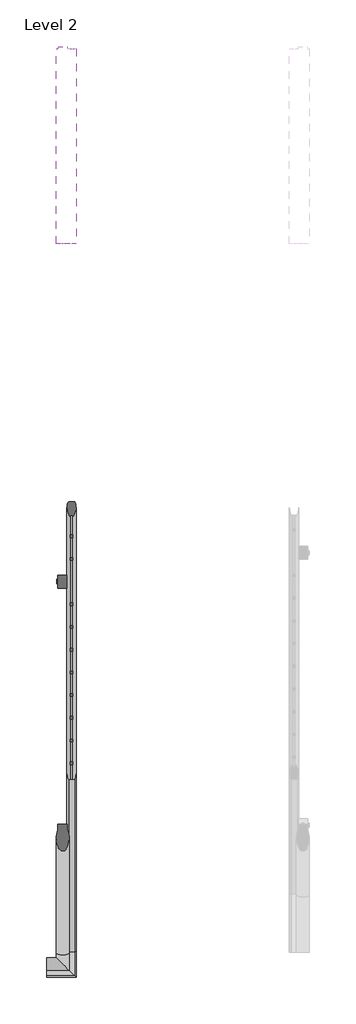
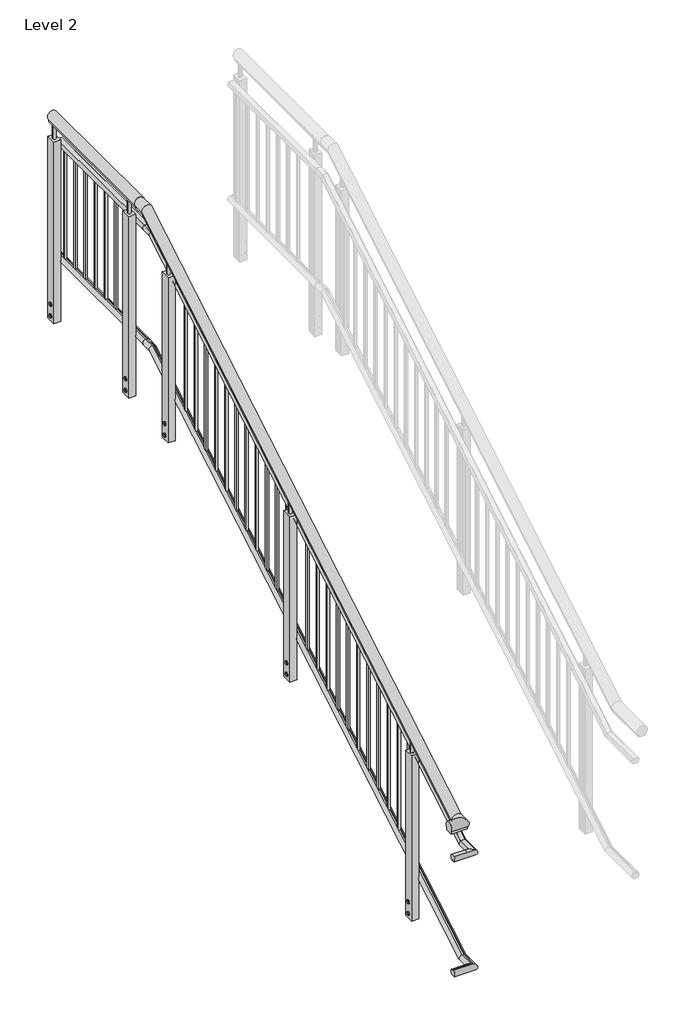
# One storey, part 3 of 7: 2 railings.
"""IFC4 building model written with IfcOpenShell, lengths in millimetres."""

from ifc_helpers import new_model, si_unit, point, frame, frame_2d, origin, place, context, project, spatial, polyline, circle_curve, ellipse_curve, trimmed, segment, composite_curve, outline, extrude, element, save
from ifc_brep_helpers import plane_surface, cylinder_surface, advanced_brep

model = new_model("IFC4")

# Units and contexts
model_context = context("Model", 3, world=origin())
ifc_project = project(units=[si_unit("LENGTHUNIT", "METRE", prefix="MILLI")], contexts=[model_context])

# Site, building, storey
site = spatial("IfcSite", under=ifc_project)
building = spatial("IfcBuilding", under=site)
storey = spatial("IfcBuildingStorey", under=building, Name="Level 2", Elevation=4000.0)

# Railings
placement = place(None, origin())
element("IfcRailing", 1, ObjectType="MT_Common stair with Balustrade_Level 3_Left", at=placement, inside=storey, context=model_context, shape_type="SolidModel", body=[
    advanced_brep(
    [(-8631.0412923, -10097.2332568, 6690.8057322), (-8631.0412923, -10097.2332568, 6678.0), (-8672.7412923, -10097.2332568, 6678.0), (-8672.7412923, -10097.2332568, 6690.8057322), (-8672.7412923, -10162.192754, 6690.8057322), (-8631.0412923, -10162.192754, 6690.8057322), (-8672.7412923, -10158.6852788, 6678.0), (-8631.0412923, -10158.6852788, 6678.0), (-8672.7412923, -13216.0720552, 4882.2162889), (-8631.0412923, -13216.0720552, 4882.2162889), (-8672.7412923, -13212.56458, 4869.4105567), (-8631.0412923, -13212.56458, 4869.4105567), (-8722.7515248, -13290.6934894, 4882.2162889), (-8722.7515248, -13248.9934894, 4882.2162889), (-8722.7515248, -13248.9934894, 4869.4105567), (-8722.7515248, -13290.6934894, 4869.4105567), (-8631.0412923, -13290.6934894, 4882.2162889), (-8672.7412923, -13248.9934894, 4882.2162889), (-8672.7412923, -13248.9934894, 4869.4105567), (-8631.0412923, -13290.6934894, 4869.4105567)],
    [
        (0, 1),
        (1, 2),
        (2, 3),
        (3, 0, circle_curve(frame((-8651.8912923, -10097.2332568, 6710.0), z_axis=(0.0, 1.0, 0.0), x_axis=(-1.0, 0.0, 0.0)), 28.3397674)),
        (4, 5, ellipse_curve(frame((-8651.8912923, -10167.4500418, 6710.0), z_axis=(0.0, 0.9644764138034779, 0.2641689747430274), x_axis=(0.0, -0.26416897474302786, 0.9644764138034778)), 29.3835775, 28.3397674)),
        (5, 0),
        (3, 4),
        (6, 4),
        (2, 6),
        (7, 6),
        (1, 7),
        (5, 7),
        (8, 9, ellipse_curve(frame((-8651.8912923, -13221.329343, 4901.4105567), z_axis=(0.0, 0.9644764138034779, 0.26416897474302736), x_axis=(0.0, 0.264168974743027, -0.9644764138034783)), 29.3835775, 28.3397674)),
        (9, 5),
        (4, 8),
        (10, 8),
        (6, 10),
        (11, 10),
        (7, 11),
        (9, 11),
        (12, 13, circle_curve(frame((-8722.7515248, -13269.8434894, 4901.4105567), z_axis=(-1.0, 0.0, 0.0), x_axis=(0.0, 1.0, 0.0)), 28.3397674)),
        (13, 14),
        (14, 15),
        (15, 12),
        (12, 16),
        (16, 17, ellipse_curve(frame((-8651.8912923, -13269.8434894, 4901.4105567), z_axis=(-0.7071067811865481, -0.7071067811865469, 0.0), x_axis=(-0.7071067811865469, 0.7071067811865481, 0.0)), 40.0784834, 28.3397674)),
        (17, 13),
        (17, 18),
        (18, 14),
        (18, 19),
        (19, 15),
        (19, 16),
        (16, 9),
        (8, 17),
        (10, 18),
        (11, 19),
    ],
    [
        plane_surface(frame((-8651.8912923, -10097.2332568, 6678.0), z_axis=(0.0, 1.0, 0.0), x_axis=(0.0, 0.0, 1.0))),
        cylinder_surface(frame((-8651.8912923, -10158.6852788, 6710.0), z_axis=(0.0, -1.0, 0.0), x_axis=(-1.0, 0.0, 0.0)), 28.3397674),
        plane_surface(frame((-8672.7412923, -10162.192754, 6690.8057322), z_axis=(-1.0, 0.0, 0.0), x_axis=(0.0, 1.0, 0.0))),
        plane_surface(frame((-8672.7412923, -10158.6852788, 6678.0), z_axis=(0.0, 0.0, -1.0), x_axis=(0.0, 1.0, 0.0))),
        plane_surface(frame((-8631.0412923, -10158.6852788, 6678.0), z_axis=(1.0, 0.0, 0.0), x_axis=(0.0, 1.0, 0.0))),
        cylinder_surface(frame((-8651.8912923, -13228.8708037, 4896.9443009), z_axis=(0.0, -0.8604295055664356, -0.5095694907965933), x_axis=(-1.0, 0.0, 0.0)), 28.3397674),
        plane_surface(frame((-8672.7412923, -13216.0720552, 4882.2162889), z_axis=(-1.0000000000000002, 0.0, 0.0), x_axis=(0.0, 0.8604295055664356, 0.5095694907965933))),
        plane_surface(frame((-8672.7412923, -13212.56458, 4869.4105567), z_axis=(0.0, 0.5095694907965932, -0.8604295055664356), x_axis=(0.0, 0.8604295055664356, 0.5095694907965932))),
        plane_surface(frame((-8631.0412923, -13212.56458, 4869.4105567), z_axis=(1.0, 0.0, 0.0), x_axis=(0.0, 0.8604295055664356, 0.5095694907965932))),
        plane_surface(frame((-8722.7515248, -13269.8434894, 4869.4105567), z_axis=(-1.0, 0.0, 0.0), x_axis=(0.0, 1.0, 0.0))),
        cylinder_surface(frame((-8722.7515248, -13269.8434894, 4901.4105567), z_axis=(-1.0, 0.0, 0.0), x_axis=(0.0, 1.0, 0.0)), 28.3397674),
        plane_surface(frame((-8722.7515248, -13248.9934894, 4882.2162889), z_axis=(0.0, 1.0, 0.0), x_axis=(1.0, 0.0, 0.0))),
        plane_surface(frame((-8722.7515248, -13248.9934894, 4869.4105567), z_axis=(0.0, 0.0, -1.0), x_axis=(1.0, 0.0, 0.0))),
        plane_surface(frame((-8722.7515248, -13290.6934894, 4869.4105567), z_axis=(0.0, -1.0, 0.0), x_axis=(1.0, 0.0, 0.0))),
        cylinder_surface(frame((-8651.8912923, -13269.8434894, 4901.4105567), z_axis=(0.0, -1.0, 0.0), x_axis=(-1.0, 0.0, 0.0)), 28.3397674),
        plane_surface(frame((-8672.7412923, -13248.9934894, 4882.2162889), z_axis=(-1.0, 0.0, 0.0), x_axis=(0.0, 1.0, 0.0))),
        plane_surface(frame((-8672.7412923, -13248.9934894, 4869.4105567), z_axis=(0.0, 0.0, -1.0), x_axis=(0.0, 1.0, 0.0))),
        plane_surface(frame((-8631.0412923, -13290.6934894, 4869.4105567), z_axis=(1.0, 0.0, 0.0), x_axis=(0.0, 1.0, 0.0))),
    ],
    [
        (0, [[1, 2, 3, 4]]),
        (1, [[5, 6, -4, 7]]),
        (2, [[8, -7, -3, 9]]),
        (3, [[10, -9, -2, 11]]),
        (4, [[12, -11, -1, -6]]),
        (5, [[13, 14, -5, 15]]),
        (6, [[16, -15, -8, 17]]),
        (7, [[18, -17, -10, 19]]),
        (8, [[20, -19, -12, -14]]),
        (9, [[21, 22, 23, 24]]),
        (10, [[-21, 25, 26, 27]]),
        (11, [[-22, -27, 28, 29]]),
        (12, [[-23, -29, 30, 31]]),
        (13, [[-24, -31, 32, -25]]),
        (14, [[-26, 33, -13, 34]]),
        (15, [[-28, -34, -16, 35]]),
        (16, [[-30, -35, -18, 36]]),
        (17, [[-32, -36, -20, -33]]),
    ],
),
    advanced_brep(
    [(-8599.5227683, -13216.6730626, 4751.4105567), (-8606.6751475, -13207.3455481, 4717.3559605), (-8606.6751475, -10153.4662469, 6525.9454038), (-8599.5227683, -10162.7937614, 6560.0), (-8625.9802814, -13216.6730626, 4751.4105567), (-8625.9802814, -10162.7937614, 6560.0), (-8618.257742, -13207.2982981, 4717.1834516), (-8618.257742, -10153.4189969, 6525.7728949), (-8618.257742, -13208.4560973, 4721.4105567), (-8618.257742, -10154.5767961, 6530.0), (-8606.6751475, -13208.4560973, 4721.4105567), (-8606.6751475, -10154.5767961, 6530.0), (-8599.5227683, -13322.2120133, 4751.4105567), (-8606.6751475, -13315.0596342, 4717.3559605), (-8625.9802814, -13295.7545002, 4751.4105567), (-8618.257742, -13303.4770396, 4717.1834516), (-8618.257742, -13303.4770396, 4721.4105567), (-8606.6751475, -13315.0596342, 4721.4105567), (-8606.6751475, -10097.2332568, 6525.9454038), (-8606.6751475, -10097.2332568, 6530.0), (-8618.257742, -10097.2332568, 6530.0), (-8618.257742, -10097.2332568, 6525.7728949), (-8625.9802814, -10097.2332568, 6560.0), (-8599.5227683, -10097.2332568, 6560.0), (-8722.7515248, -13315.0596342, 4717.3559605), (-8722.7515248, -13322.2120133, 4751.4105567), (-8722.7515248, -13295.7545002, 4751.4105567), (-8722.7515248, -13303.4770396, 4717.1834516), (-8722.7515248, -13303.4770396, 4721.4105567), (-8722.7515248, -13315.0596342, 4721.4105567)],
    [
        (0, 1, ellipse_curve(frame((-8612.7515248, -13212.56458, 4736.4105567), z_axis=(0.0, 0.9644764138034779, 0.26416897474302736), x_axis=(0.0, 0.264168974743027, -0.9644764138034783)), 20.7366398, 20.0)),
        (1, 2),
        (2, 3, ellipse_curve(frame((-8612.7515248, -10158.6852788, 6545.0), z_axis=(0.0, -0.9644764138034779, -0.2641689747430274), x_axis=(0.0, 0.26416897474302703, -0.9644764138034783)), 20.7366398, 20.0)),
        (3, 0),
        (4, 0),
        (3, 5),
        (5, 4),
        (6, 4, ellipse_curve(frame((-8612.7515248, -13212.56458, 4736.4105567), z_axis=(0.0, 0.9644764138034779, 0.26416897474302736), x_axis=(0.0, 0.264168974743027, -0.9644764138034783)), 20.7366398, 20.0)),
        (5, 7, ellipse_curve(frame((-8612.7515248, -10158.6852788, 6545.0), z_axis=(0.0, -0.9644764138034779, -0.2641689747430274), x_axis=(0.0, 0.26416897474302703, -0.9644764138034783)), 20.7366398, 20.0)),
        (7, 6),
        (8, 6),
        (7, 9),
        (9, 8),
        (10, 8),
        (9, 11),
        (11, 10),
        (1, 10),
        (11, 2),
        (12, 13, ellipse_curve(frame((-8612.7515248, -13308.9832568, 4736.4105567), z_axis=(0.7071067811865481, 0.7071067811865469, 0.0), x_axis=(0.7071067811865469, -0.7071067811865481, 0.0)), 28.2842712, 20.0)),
        (13, 1),
        (0, 12),
        (14, 12),
        (4, 14),
        (15, 14, ellipse_curve(frame((-8612.7515248, -13308.9832568, 4736.4105567), z_axis=(0.7071067811865481, 0.7071067811865469, 0.0), x_axis=(0.7071067811865469, -0.7071067811865481, 0.0)), 28.2842712, 20.0)),
        (6, 15),
        (16, 15),
        (8, 16),
        (17, 16),
        (10, 17),
        (13, 17),
        (18, 19),
        (19, 20),
        (20, 21),
        (21, 22, circle_curve(frame((-8612.7515248, -10097.2332568, 6545.0), z_axis=(0.0, 1.0, 0.0), x_axis=(0.0, 0.0, 1.0)), 20.0)),
        (22, 23),
        (23, 18, circle_curve(frame((-8612.7515248, -10097.2332568, 6545.0), z_axis=(0.0, 1.0, 0.0), x_axis=(0.0, 0.0, 1.0)), 20.0)),
        (2, 18),
        (23, 3),
        (22, 5),
        (21, 7),
        (20, 9),
        (19, 11),
        (24, 25, circle_curve(frame((-8722.7515248, -13308.9832568, 4736.4105567), z_axis=(-1.0, 0.0, 0.0), x_axis=(0.0, 0.0, 1.0)), 20.0)),
        (25, 26),
        (26, 27, circle_curve(frame((-8722.7515248, -13308.9832568, 4736.4105567), z_axis=(-1.0, 0.0, 0.0), x_axis=(0.0, 0.0, 1.0)), 20.0)),
        (27, 28),
        (28, 29),
        (29, 24),
        (24, 13),
        (12, 25),
        (14, 26),
        (15, 27),
        (16, 28),
        (17, 29),
    ],
    [
        cylinder_surface(frame((-8612.7515248, -13212.56458, 4736.4105567), z_axis=(0.0, -0.8604295055664356, -0.5095694907965933), x_axis=(0.0, -0.5095694907965933, 0.8604295055664356)), 20.0),
        plane_surface(frame((-8599.5227683, -13216.6730626, 4751.4105567), z_axis=(0.0, -0.5095694907965932, 0.8604295055664356), x_axis=(0.0, 0.8604295055664356, 0.5095694907965932))),
        plane_surface(frame((-8618.257742, -13207.2982981, 4717.1834516), z_axis=(1.0, 0.0, 0.0), x_axis=(0.0, 0.8604295055664356, 0.5095694907965932))),
        plane_surface(frame((-8618.257742, -13208.4560973, 4721.4105567), z_axis=(0.0, 0.5095694907965933, -0.8604295055664356), x_axis=(0.0, 0.8604295055664356, 0.5095694907965933))),
        plane_surface(frame((-8606.6751475, -13208.4560973, 4721.4105567), z_axis=(-1.0, 0.0, 0.0), x_axis=(0.0, 0.8604295055664356, 0.5095694907965932))),
        cylinder_surface(frame((-8612.7515248, -13308.9832568, 4736.4105567), z_axis=(0.0, -1.0, 0.0), x_axis=(0.0, 0.0, 1.0)), 20.0),
        plane_surface(frame((-8599.5227683, -13322.2120133, 4751.4105567), z_axis=(0.0, 0.0, 1.0), x_axis=(0.0, 1.0, 0.0))),
        plane_surface(frame((-8618.257742, -13303.4770396, 4717.1834516), z_axis=(1.0, 0.0, 0.0), x_axis=(0.0, 1.0, 0.0))),
        plane_surface(frame((-8618.257742, -13303.4770396, 4721.4105567), z_axis=(0.0, 0.0, -1.0), x_axis=(0.0, 1.0, 0.0))),
        plane_surface(frame((-8606.6751475, -13315.0596342, 4721.4105567), z_axis=(-1.0, 0.0, 0.0), x_axis=(0.0, 1.0, 0.0))),
        plane_surface(frame((-8612.7515248, -10097.2332568, 6545.0), z_axis=(0.0, 1.0, 0.0), x_axis=(0.0, 0.0, 1.0))),
        cylinder_surface(frame((-8612.7515248, -10158.6852788, 6545.0), z_axis=(0.0, -1.0, 0.0), x_axis=(0.0, 0.0, 1.0)), 20.0),
        plane_surface(frame((-8599.5227683, -10162.7937614, 6560.0), z_axis=(0.0, 0.0, 1.0), x_axis=(0.0, 1.0, 0.0))),
        plane_surface(frame((-8618.257742, -10153.4189969, 6525.7728949), z_axis=(1.0, 0.0, 0.0), x_axis=(0.0, 1.0, 0.0))),
        plane_surface(frame((-8618.257742, -10154.5767961, 6530.0), z_axis=(0.0, 0.0, -1.0), x_axis=(0.0, 1.0, 0.0))),
        plane_surface(frame((-8606.6751475, -10154.5767961, 6530.0), z_axis=(-1.0, 0.0, 0.0), x_axis=(0.0, 1.0, 0.0))),
        plane_surface(frame((-8722.7515248, -13308.9832568, 4736.4105567), z_axis=(-1.0, 0.0, 0.0), x_axis=(0.0, 1.0, 0.0))),
        cylinder_surface(frame((-8722.7515248, -13308.9832568, 4736.4105567), z_axis=(-1.0, 0.0, 0.0), x_axis=(0.0, 0.0, 1.0)), 20.0),
        plane_surface(frame((-8722.7515248, -13322.2120133, 4751.4105567), z_axis=(0.0, 0.0, 1.0), x_axis=(1.0, 0.0, 0.0))),
        plane_surface(frame((-8722.7515248, -13303.4770396, 4717.1834516), z_axis=(0.0, -1.0, 0.0), x_axis=(1.0, 0.0, 0.0))),
        plane_surface(frame((-8722.7515248, -13303.4770396, 4721.4105567), z_axis=(0.0, 0.0, -1.0), x_axis=(1.0, 0.0, 0.0))),
        plane_surface(frame((-8722.7515248, -13315.0596342, 4721.4105567), z_axis=(0.0, 1.0, 0.0), x_axis=(1.0, 0.0, 0.0))),
    ],
    [
        (0, [[1, 2, 3, 4]]),
        (1, [[5, -4, 6, 7]]),
        (0, [[8, -7, 9, 10]]),
        (2, [[11, -10, 12, 13]]),
        (3, [[14, -13, 15, 16]]),
        (4, [[17, -16, 18, -2]]),
        (5, [[19, 20, -1, 21]]),
        (6, [[22, -21, -5, 23]]),
        (5, [[24, -23, -8, 25]]),
        (7, [[26, -25, -11, 27]]),
        (8, [[28, -27, -14, 29]]),
        (9, [[30, -29, -17, -20]]),
        (10, [[31, 32, 33, 34, 35, 36]]),
        (11, [[-3, 37, -36, 38]]),
        (12, [[-6, -38, -35, 39]]),
        (11, [[-9, -39, -34, 40]]),
        (13, [[-12, -40, -33, 41]]),
        (14, [[-15, -41, -32, 42]]),
        (15, [[-18, -42, -31, -37]]),
        (16, [[43, 44, 45, 46, 47, 48]]),
        (17, [[-43, 49, -19, 50]]),
        (18, [[-44, -50, -22, 51]]),
        (17, [[-45, -51, -24, 52]]),
        (19, [[-46, -52, -26, 53]]),
        (20, [[-47, -53, -28, 54]]),
        (21, [[-48, -54, -30, -49]]),
    ],
),
    advanced_brep(
    [(-8625.9802814, -13208.4560973, 4030.4105567), (-8618.8279022, -13217.7836118, 4064.465153), (-8618.8279022, -10163.9043107, 5873.0545962), (-8625.9802814, -10154.5767961, 5839.0), (-8599.5227683, -13208.4560973, 4030.4105567), (-8599.5227683, -10154.5767961, 5839.0), (-8607.2453076, -13217.8308618, 4064.6376619), (-8607.2453076, -10163.9515607, 5873.2271051), (-8607.2453076, -13216.6730626, 4060.4105567), (-8607.2453076, -10162.7937614, 5869.0), (-8618.8279022, -13216.6730626, 4060.4105567), (-8618.8279022, -10162.7937614, 5869.0), (-8625.9802814, -13295.7545002, 4030.4105567), (-8618.8279022, -13302.9068794, 4064.465153), (-8599.5227683, -13322.2120133, 4030.4105567), (-8607.2453076, -13314.489474, 4064.6376619), (-8607.2453076, -13314.489474, 4060.4105567), (-8618.8279022, -13302.9068794, 4060.4105567), (-8618.8279022, -10097.2332568, 5873.0545962), (-8618.8279022, -10097.2332568, 5869.0), (-8607.2453076, -10097.2332568, 5869.0), (-8607.2453076, -10097.2332568, 5873.2271051), (-8599.5227683, -10097.2332568, 5839.0), (-8625.9802814, -10097.2332568, 5839.0), (-8722.7515248, -13302.9068794, 4064.465153), (-8722.7515248, -13295.7545002, 4030.4105567), (-8722.7515248, -13322.2120133, 4030.4105567), (-8722.7515248, -13314.489474, 4064.6376619), (-8722.7515248, -13314.489474, 4060.4105567), (-8722.7515248, -13302.9068794, 4060.4105567)],
    [
        (0, 1, ellipse_curve(frame((-8612.7515248, -13212.56458, 4045.4105567), z_axis=(0.0, 0.964476413803478, 0.26416897474302725), x_axis=(0.0, 0.26416897474302714, -0.964476413803478)), 20.7366398, 20.0)),
        (1, 2),
        (2, 3, ellipse_curve(frame((-8612.7515248, -10158.6852788, 5854.0), z_axis=(0.0, -0.964476413803478, -0.26416897474302725), x_axis=(0.0, 0.26416897474302714, -0.964476413803478)), 20.7366398, 20.0)),
        (3, 0),
        (4, 0),
        (3, 5),
        (5, 4),
        (6, 4, ellipse_curve(frame((-8612.7515248, -13212.56458, 4045.4105567), z_axis=(0.0, 0.964476413803478, 0.26416897474302725), x_axis=(0.0, 0.26416897474302714, -0.964476413803478)), 20.7366398, 20.0)),
        (5, 7, ellipse_curve(frame((-8612.7515248, -10158.6852788, 5854.0), z_axis=(0.0, -0.964476413803478, -0.26416897474302725), x_axis=(0.0, 0.26416897474302714, -0.964476413803478)), 20.7366398, 20.0)),
        (7, 6),
        (8, 6),
        (7, 9),
        (9, 8),
        (10, 8),
        (9, 11),
        (11, 10),
        (1, 10),
        (11, 2),
        (12, 13, ellipse_curve(frame((-8612.7515248, -13308.9832568, 4045.4105567), z_axis=(0.7071067811865481, 0.7071067811865469, 0.0), x_axis=(0.7071067811865469, -0.7071067811865481, 0.0)), 28.2842712, 20.0)),
        (13, 1),
        (0, 12),
        (14, 12),
        (4, 14),
        (15, 14, ellipse_curve(frame((-8612.7515248, -13308.9832568, 4045.4105567), z_axis=(0.7071067811865481, 0.7071067811865469, 0.0), x_axis=(0.7071067811865469, -0.7071067811865481, 0.0)), 28.2842712, 20.0)),
        (6, 15),
        (16, 15),
        (8, 16),
        (17, 16),
        (10, 17),
        (13, 17),
        (18, 19),
        (19, 20),
        (20, 21),
        (21, 22, circle_curve(frame((-8612.7515248, -10097.2332568, 5854.0), z_axis=(0.0, 1.0, 0.0), x_axis=(0.0, 0.0, -1.0)), 20.0)),
        (22, 23),
        (23, 18, circle_curve(frame((-8612.7515248, -10097.2332568, 5854.0), z_axis=(0.0, 1.0, 0.0), x_axis=(0.0, 0.0, -1.0)), 20.0)),
        (2, 18),
        (23, 3),
        (22, 5),
        (21, 7),
        (20, 9),
        (19, 11),
        (24, 25, circle_curve(frame((-8722.7515248, -13308.9832568, 4045.4105567), z_axis=(-1.0, 0.0, 0.0), x_axis=(0.0, 0.0, -1.0)), 20.0)),
        (25, 26),
        (26, 27, circle_curve(frame((-8722.7515248, -13308.9832568, 4045.4105567), z_axis=(-1.0, 0.0, 0.0), x_axis=(0.0, 0.0, -1.0)), 20.0)),
        (27, 28),
        (28, 29),
        (29, 24),
        (24, 13),
        (12, 25),
        (14, 26),
        (15, 27),
        (16, 28),
        (17, 29),
    ],
    [
        cylinder_surface(frame((-8612.7515248, -13212.56458, 4045.4105567), z_axis=(0.0, -0.8604295055664357, -0.509569490796593), x_axis=(0.0, 0.509569490796593, -0.8604295055664357)), 20.0),
        plane_surface(frame((-8625.9802814, -13208.4560973, 4030.4105567), z_axis=(0.0, 0.509569490796593, -0.8604295055664357), x_axis=(0.0, 0.8604295055664357, 0.509569490796593))),
        plane_surface(frame((-8607.2453076, -13217.8308618, 4064.6376619), z_axis=(-1.0, 0.0, 0.0), x_axis=(0.0, 0.8604295055664358, 0.5095694907965928))),
        plane_surface(frame((-8607.2453076, -13216.6730626, 4060.4105567), z_axis=(0.0, -0.5095694907965932, 0.8604295055664356), x_axis=(0.0, 0.8604295055664356, 0.5095694907965932))),
        plane_surface(frame((-8618.8279022, -13216.6730626, 4060.4105567), z_axis=(1.0, 0.0, 0.0), x_axis=(0.0, 0.8604295055664356, 0.5095694907965932))),
        cylinder_surface(frame((-8612.7515248, -13308.9832568, 4045.4105567), z_axis=(0.0, -1.0, 0.0), x_axis=(0.0, 0.0, -1.0)), 20.0),
        plane_surface(frame((-8625.9802814, -13295.7545002, 4030.4105567), z_axis=(0.0, 0.0, -1.0), x_axis=(0.0, 1.0, 0.0))),
        plane_surface(frame((-8607.2453076, -13314.489474, 4064.6376619), z_axis=(-1.0, 0.0, 0.0), x_axis=(0.0, 1.0, 0.0))),
        plane_surface(frame((-8607.2453076, -13314.489474, 4060.4105567), z_axis=(0.0, 0.0, 1.0), x_axis=(0.0, 1.0, 0.0))),
        plane_surface(frame((-8618.8279022, -13302.9068794, 4060.4105567), z_axis=(1.0, 0.0, 0.0), x_axis=(0.0, 1.0, 0.0))),
        plane_surface(frame((-8612.7515248, -10097.2332568, 5854.0), z_axis=(0.0, 1.0, 0.0), x_axis=(0.0, 0.0, 1.0))),
        cylinder_surface(frame((-8612.7515248, -10158.6852788, 5854.0), z_axis=(0.0, -1.0, 0.0), x_axis=(0.0, 0.0, -1.0)), 20.0),
        plane_surface(frame((-8625.9802814, -10154.5767961, 5839.0), z_axis=(0.0, 0.0, -1.0), x_axis=(0.0, 1.0, 0.0))),
        plane_surface(frame((-8607.2453076, -10163.9515607, 5873.2271051), z_axis=(-1.0, 0.0, 0.0), x_axis=(0.0, 1.0, 0.0))),
        plane_surface(frame((-8607.2453076, -10162.7937614, 5869.0), z_axis=(0.0, 0.0, 1.0), x_axis=(0.0, 1.0, 0.0))),
        plane_surface(frame((-8618.8279022, -10162.7937614, 5869.0), z_axis=(1.0, 0.0, 0.0), x_axis=(0.0, 1.0, 0.0))),
        plane_surface(frame((-8722.7515248, -13308.9832568, 4045.4105567), z_axis=(-1.0, 0.0, 0.0), x_axis=(0.0, 1.0, 0.0))),
        cylinder_surface(frame((-8722.7515248, -13308.9832568, 4045.4105567), z_axis=(-1.0, 0.0, 0.0), x_axis=(0.0, 0.0, -1.0)), 20.0),
        plane_surface(frame((-8722.7515248, -13295.7545002, 4030.4105567), z_axis=(0.0, 0.0, -1.0), x_axis=(1.0, 0.0, 0.0))),
        plane_surface(frame((-8722.7515248, -13314.489474, 4064.6376619), z_axis=(0.0, 1.0, 0.0), x_axis=(1.0, 0.0, 0.0))),
        plane_surface(frame((-8722.7515248, -13314.489474, 4060.4105567), z_axis=(0.0, 0.0, 1.0), x_axis=(1.0, 0.0, 0.0))),
        plane_surface(frame((-8722.7515248, -13302.9068794, 4060.4105567), z_axis=(0.0, -1.0, 0.0), x_axis=(1.0, 0.0, 0.0))),
    ],
    [
        (0, [[1, 2, 3, 4]]),
        (1, [[5, -4, 6, 7]]),
        (0, [[8, -7, 9, 10]]),
        (2, [[11, -10, 12, 13]]),
        (3, [[14, -13, 15, 16]]),
        (4, [[17, -16, 18, -2]]),
        (5, [[19, 20, -1, 21]]),
        (6, [[22, -21, -5, 23]]),
        (5, [[24, -23, -8, 25]]),
        (7, [[26, -25, -11, 27]]),
        (8, [[28, -27, -14, 29]]),
        (9, [[30, -29, -17, -20]]),
        (10, [[31, 32, 33, 34, 35, 36]]),
        (11, [[-3, 37, -36, 38]]),
        (12, [[-6, -38, -35, 39]]),
        (11, [[-9, -39, -34, 40]]),
        (13, [[-12, -40, -33, 41]]),
        (14, [[-15, -41, -32, 42]]),
        (15, [[-18, -42, -31, -37]]),
        (16, [[43, 44, 45, 46, 47, 48]]),
        (17, [[-43, 49, -19, 50]]),
        (18, [[-44, -50, -22, 51]]),
        (17, [[-45, -51, -24, 52]]),
        (19, [[-46, -52, -26, 53]]),
        (20, [[-47, -53, -28, 54]]),
        (21, [[-48, -54, -30, -49]]),
    ],
),
    extrude(outline(polyline([(-10385.6249294, 5501.9245527), (-10375.6249294, 5496.15105), (-10375.6249294, 5484.6040446), (-10385.6249294, 5478.8305419), (-10395.6249294, 5484.6040446), (-10395.6249294, 5496.15105), (-10385.6249294, 5501.9245527)])), frame((-8676.7515248, 0.0, 0.0), z_axis=(1.0, 0.0, 0.0), x_axis=(0.0, 1.0, 0.0)), (0.0, 0.0, 1.0), 4.0),
    extrude(outline(polyline([(-10385.6249294, 5571.9245527), (-10375.6249294, 5566.15105), (-10375.6249294, 5554.6040446), (-10385.6249294, 5548.8305419), (-10395.6249294, 5554.6040446), (-10395.6249294, 5566.15105), (-10385.6249294, 5571.9245527)])), frame((-8676.7515248, 0.0, 0.0), z_axis=(1.0, 0.0, 0.0), x_axis=(0.0, 1.0, 0.0)), (0.0, 0.0, 1.0), 4.0),
    extrude(outline(composite_curve([segment(trimmed(circle_curve(frame_2d((-10385.6249294, 5490.3775473)), 8.0), [point((-10393.6249294, 5490.3775473))], [point((-10377.6249294, 5490.3775473))], False, "CARTESIAN"), True, "CONTINUOUS"), segment(trimmed(circle_curve(frame_2d((-10385.6249294, 5490.3775473)), 8.0), [point((-10377.6249294, 5490.3775473))], [point((-10393.6249294, 5490.3775473))], False, "CARTESIAN"), True, "CONTINUOUS")], self_intersect=False)), frame((-8678.7515248, 0.0, 0.0), z_axis=(1.0, 0.0, 0.0), x_axis=(0.0, 1.0, 0.0)), (0.0, 0.0, 1.0), 6.0),
    extrude(outline(composite_curve([segment(trimmed(circle_curve(frame_2d((-10385.6249294, 5560.3775473)), 8.0), [point((-10393.6249294, 5560.3775473))], [point((-10377.6249294, 5560.3775473))], False, "CARTESIAN"), True, "CONTINUOUS"), segment(trimmed(circle_curve(frame_2d((-10385.6249294, 5560.3775473)), 8.0), [point((-10377.6249294, 5560.3775473))], [point((-10393.6249294, 5560.3775473))], False, "CARTESIAN"), True, "CONTINUOUS")], self_intersect=False)), frame((-8678.7515248, 0.0, 0.0), z_axis=(1.0, 0.0, 0.0), x_axis=(0.0, 1.0, 0.0)), (0.0, 0.0, 1.0), 6.0),
    extrude(outline(composite_curve([segment(trimmed(circle_curve(frame_2d((-8652.7515248, -10385.6249294)), 10.0), [point((-8662.7515248, -10385.6249294))], [point((-8642.7515248, -10385.6249294))], False, "CARTESIAN"), True, "CONTINUOUS"), segment(trimmed(circle_curve(frame_2d((-8652.7515248, -10385.6249294)), 10.0), [point((-8642.7515248, -10385.6249294))], [point((-8662.7515248, -10385.6249294))], False, "CARTESIAN"), True, "CONTINUOUS")], self_intersect=False)), frame((0.0, 0.0, 6454.3775473), z_axis=(0.0, 0.0, 1.0), x_axis=(1.0, 0.0, 0.0)), (0.0, 0.0, 1.0), 100.0),
    extrude(outline(polyline([(-8632.7515248, -10414.6249294), (-8672.7515248, -10414.6249294), (-8672.7515248, -10356.6249294), (-8632.7515248, -10356.6249294), (-8632.7515248, -10414.6249294)])), frame((0.0, 0.0, 5460.3775473), z_axis=(0.0, 0.0, 1.0), x_axis=(1.0, 0.0, 0.0)), (0.0, 0.0, 1.0), 994.0),
    extrude(outline(polyline([(-8606.7515248, -10491.6249294), (-8618.7515248, -10491.6249294), (-8618.7515248, -10479.6249294), (-8606.7515248, -10479.6249294), (-8606.7515248, -10491.6249294)])), frame((0.0, 0.0, 5671.1548582), z_axis=(0.0, 0.0, 1.0), x_axis=(1.0, 0.0, 0.0)), (0.0, 0.0, 1.0), 671.0),
    extrude(outline(polyline([(-8606.7515248, -10591.6249294), (-8618.7515248, -10591.6249294), (-8618.7515248, -10579.6249294), (-8606.7515248, -10579.6249294), (-8606.7515248, -10591.6249294)])), frame((0.0, 0.0, 5611.9321691), z_axis=(0.0, 0.0, 1.0), x_axis=(1.0, 0.0, 0.0)), (0.0, 0.0, 1.0), 671.0),
    extrude(outline(polyline([(-8606.7515248, -10691.6249294), (-8618.7515248, -10691.6249294), (-8618.7515248, -10679.6249294), (-8606.7515248, -10679.6249294), (-8606.7515248, -10691.6249294)])), frame((0.0, 0.0, 5552.70948), z_axis=(0.0, 0.0, 1.0), x_axis=(1.0, 0.0, 0.0)), (0.0, 0.0, 1.0), 671.0),
    extrude(outline(polyline([(-8606.7515248, -10791.6249294), (-8618.7515248, -10791.6249294), (-8618.7515248, -10779.6249294), (-8606.7515248, -10779.6249294), (-8606.7515248, -10791.6249294)])), frame((0.0, 0.0, 5493.486791), z_axis=(0.0, 0.0, 1.0), x_axis=(1.0, 0.0, 0.0)), (0.0, 0.0, 1.0), 671.0),
    extrude(outline(polyline([(-8606.7515248, -10891.6249294), (-8618.7515248, -10891.6249294), (-8618.7515248, -10879.6249294), (-8606.7515248, -10879.6249294), (-8606.7515248, -10891.6249294)])), frame((0.0, 0.0, 5434.2641019), z_axis=(0.0, 0.0, 1.0), x_axis=(1.0, 0.0, 0.0)), (0.0, 0.0, 1.0), 671.0),
    extrude(outline(polyline([(-8606.7515248, -10991.6249294), (-8618.7515248, -10991.6249294), (-8618.7515248, -10979.6249294), (-8606.7515248, -10979.6249294), (-8606.7515248, -10991.6249294)])), frame((0.0, 0.0, 5375.0414128), z_axis=(0.0, 0.0, 1.0), x_axis=(1.0, 0.0, 0.0)), (0.0, 0.0, 1.0), 671.0),
    extrude(outline(polyline([(-8606.7515248, -11091.6249294), (-8618.7515248, -11091.6249294), (-8618.7515248, -11079.6249294), (-8606.7515248, -11079.6249294), (-8606.7515248, -11091.6249294)])), frame((0.0, 0.0, 5315.8187237), z_axis=(0.0, 0.0, 1.0), x_axis=(1.0, 0.0, 0.0)), (0.0, 0.0, 1.0), 671.0),
    extrude(outline(polyline([(-8606.7515248, -11191.6249294), (-8618.7515248, -11191.6249294), (-8618.7515248, -11179.6249294), (-8606.7515248, -11179.6249294), (-8606.7515248, -11191.6249294)])), frame((0.0, 0.0, 5256.5960347), z_axis=(0.0, 0.0, 1.0), x_axis=(1.0, 0.0, 0.0)), (0.0, 0.0, 1.0), 671.0),
    extrude(outline(polyline([(-8606.7515248, -11291.6249294), (-8618.7515248, -11291.6249294), (-8618.7515248, -11279.6249294), (-8606.7515248, -11279.6249294), (-8606.7515248, -11291.6249294)])), frame((0.0, 0.0, 5197.3733456), z_axis=(0.0, 0.0, 1.0), x_axis=(1.0, 0.0, 0.0)), (0.0, 0.0, 1.0), 671.0),
    extrude(outline(polyline([(-8606.7515248, -11391.6249294), (-8618.7515248, -11391.6249294), (-8618.7515248, -11379.6249294), (-8606.7515248, -11379.6249294), (-8606.7515248, -11391.6249294)])), frame((0.0, 0.0, 5138.1506565), z_axis=(0.0, 0.0, 1.0), x_axis=(1.0, 0.0, 0.0)), (0.0, 0.0, 1.0), 671.0),
    extrude(outline(polyline([(-8606.7515248, -11491.6249294), (-8618.7515248, -11491.6249294), (-8618.7515248, -11479.6249294), (-8606.7515248, -11479.6249294), (-8606.7515248, -11491.6249294)])), frame((0.0, 0.0, 5078.9279674), z_axis=(0.0, 0.0, 1.0), x_axis=(1.0, 0.0, 0.0)), (0.0, 0.0, 1.0), 671.0),
    extrude(outline(polyline([(-11585.6249294, 4791.2522837), (-11575.6249294, 4785.4787811), (-11575.6249294, 4773.9317757), (-11585.6249294, 4768.158273), (-11595.6249294, 4773.9317757), (-11595.6249294, 4785.4787811), (-11585.6249294, 4791.2522837)])), frame((-8676.7515248, 0.0, 0.0), z_axis=(1.0, 0.0, 0.0), x_axis=(0.0, 1.0, 0.0)), (0.0, 0.0, 1.0), 4.0),
    extrude(outline(polyline([(-11585.6249294, 4861.2522837), (-11575.6249294, 4855.4787811), (-11575.6249294, 4843.9317757), (-11585.6249294, 4838.158273), (-11595.6249294, 4843.9317757), (-11595.6249294, 4855.4787811), (-11585.6249294, 4861.2522837)])), frame((-8676.7515248, 0.0, 0.0), z_axis=(1.0, 0.0, 0.0), x_axis=(0.0, 1.0, 0.0)), (0.0, 0.0, 1.0), 4.0),
    extrude(outline(composite_curve([segment(trimmed(circle_curve(frame_2d((-11585.6249294, 4779.7052784)), 8.0), [point((-11593.6249294, 4779.7052784))], [point((-11577.6249294, 4779.7052784))], False, "CARTESIAN"), True, "CONTINUOUS"), segment(trimmed(circle_curve(frame_2d((-11585.6249294, 4779.7052784)), 8.0), [point((-11577.6249294, 4779.7052784))], [point((-11593.6249294, 4779.7052784))], False, "CARTESIAN"), True, "CONTINUOUS")], self_intersect=False)), frame((-8678.7515248, 0.0, 0.0), z_axis=(1.0, 0.0, 0.0), x_axis=(0.0, 1.0, 0.0)), (0.0, 0.0, 1.0), 6.0),
    extrude(outline(composite_curve([segment(trimmed(circle_curve(frame_2d((-11585.6249294, 4849.7052784)), 8.0), [point((-11593.6249294, 4849.7052784))], [point((-11577.6249294, 4849.7052784))], False, "CARTESIAN"), True, "CONTINUOUS"), segment(trimmed(circle_curve(frame_2d((-11585.6249294, 4849.7052784)), 8.0), [point((-11577.6249294, 4849.7052784))], [point((-11593.6249294, 4849.7052784))], False, "CARTESIAN"), True, "CONTINUOUS")], self_intersect=False)), frame((-8678.7515248, 0.0, 0.0), z_axis=(1.0, 0.0, 0.0), x_axis=(0.0, 1.0, 0.0)), (0.0, 0.0, 1.0), 6.0),
    extrude(outline(composite_curve([segment(trimmed(circle_curve(frame_2d((-8652.7515248, -11585.6249294)), 10.0), [point((-8662.7515248, -11585.6249294))], [point((-8642.7515248, -11585.6249294))], False, "CARTESIAN"), True, "CONTINUOUS"), segment(trimmed(circle_curve(frame_2d((-8652.7515248, -11585.6249294)), 10.0), [point((-8642.7515248, -11585.6249294))], [point((-8662.7515248, -11585.6249294))], False, "CARTESIAN"), True, "CONTINUOUS")], self_intersect=False)), frame((0.0, 0.0, 5743.7052784), z_axis=(0.0, 0.0, 1.0), x_axis=(1.0, 0.0, 0.0)), (0.0, 0.0, 1.0), 100.0),
    extrude(outline(polyline([(-8632.7515248, -11614.6249294), (-8672.7515248, -11614.6249294), (-8672.7515248, -11556.6249294), (-8632.7515248, -11556.6249294), (-8632.7515248, -11614.6249294)])), frame((0.0, 0.0, 4749.7052784), z_axis=(0.0, 0.0, 1.0), x_axis=(1.0, 0.0, 0.0)), (0.0, 0.0, 1.0), 994.0),
    extrude(outline(polyline([(-8606.7515248, -11691.6249294), (-8618.7515248, -11691.6249294), (-8618.7515248, -11679.6249294), (-8606.7515248, -11679.6249294), (-8606.7515248, -11691.6249294)])), frame((0.0, 0.0, 4960.4825893), z_axis=(0.0, 0.0, 1.0), x_axis=(1.0, 0.0, 0.0)), (0.0, 0.0, 1.0), 671.0),
    extrude(outline(polyline([(-8606.7515248, -11791.6249294), (-8618.7515248, -11791.6249294), (-8618.7515248, -11779.6249294), (-8606.7515248, -11779.6249294), (-8606.7515248, -11791.6249294)])), frame((0.0, 0.0, 4901.2599002), z_axis=(0.0, 0.0, 1.0), x_axis=(1.0, 0.0, 0.0)), (0.0, 0.0, 1.0), 671.0),
    extrude(outline(polyline([(-8606.7515248, -11891.6249294), (-8618.7515248, -11891.6249294), (-8618.7515248, -11879.6249294), (-8606.7515248, -11879.6249294), (-8606.7515248, -11891.6249294)])), frame((0.0, 0.0, 4842.0372111), z_axis=(0.0, 0.0, 1.0), x_axis=(1.0, 0.0, 0.0)), (0.0, 0.0, 1.0), 671.0),
    extrude(outline(polyline([(-8606.7515248, -11991.6249294), (-8618.7515248, -11991.6249294), (-8618.7515248, -11979.6249294), (-8606.7515248, -11979.6249294), (-8606.7515248, -11991.6249294)])), frame((0.0, 0.0, 4782.8145221), z_axis=(0.0, 0.0, 1.0), x_axis=(1.0, 0.0, 0.0)), (0.0, 0.0, 1.0), 671.0),
    extrude(outline(polyline([(-8606.7515248, -12091.6249294), (-8618.7515248, -12091.6249294), (-8618.7515248, -12079.6249294), (-8606.7515248, -12079.6249294), (-8606.7515248, -12091.6249294)])), frame((0.0, 0.0, 4723.591833), z_axis=(0.0, 0.0, 1.0), x_axis=(1.0, 0.0, 0.0)), (0.0, 0.0, 1.0), 671.0),
    extrude(outline(polyline([(-8606.7515248, -12191.6249294), (-8618.7515248, -12191.6249294), (-8618.7515248, -12179.6249294), (-8606.7515248, -12179.6249294), (-8606.7515248, -12191.6249294)])), frame((0.0, 0.0, 4664.3691439), z_axis=(0.0, 0.0, 1.0), x_axis=(1.0, 0.0, 0.0)), (0.0, 0.0, 1.0), 671.0),
    extrude(outline(polyline([(-8606.7515248, -12291.6249294), (-8618.7515248, -12291.6249294), (-8618.7515248, -12279.6249294), (-8606.7515248, -12279.6249294), (-8606.7515248, -12291.6249294)])), frame((0.0, 0.0, 4605.1464548), z_axis=(0.0, 0.0, 1.0), x_axis=(1.0, 0.0, 0.0)), (0.0, 0.0, 1.0), 671.0),
    extrude(outline(polyline([(-8606.7515248, -12391.6249294), (-8618.7515248, -12391.6249294), (-8618.7515248, -12379.6249294), (-8606.7515248, -12379.6249294), (-8606.7515248, -12391.6249294)])), frame((0.0, 0.0, 4545.9237658), z_axis=(0.0, 0.0, 1.0), x_axis=(1.0, 0.0, 0.0)), (0.0, 0.0, 1.0), 671.0),
    extrude(outline(polyline([(-8606.7515248, -12491.6249294), (-8618.7515248, -12491.6249294), (-8618.7515248, -12479.6249294), (-8606.7515248, -12479.6249294), (-8606.7515248, -12491.6249294)])), frame((0.0, 0.0, 4486.7010767), z_axis=(0.0, 0.0, 1.0), x_axis=(1.0, 0.0, 0.0)), (0.0, 0.0, 1.0), 671.0),
    extrude(outline(polyline([(-8606.7515248, -12591.6249294), (-8618.7515248, -12591.6249294), (-8618.7515248, -12579.6249294), (-8606.7515248, -12579.6249294), (-8606.7515248, -12591.6249294)])), frame((0.0, 0.0, 4427.4783876), z_axis=(0.0, 0.0, 1.0), x_axis=(1.0, 0.0, 0.0)), (0.0, 0.0, 1.0), 671.0),
    extrude(outline(polyline([(-8606.7515248, -12691.6249294), (-8618.7515248, -12691.6249294), (-8618.7515248, -12679.6249294), (-8606.7515248, -12679.6249294), (-8606.7515248, -12691.6249294)])), frame((0.0, 0.0, 4368.2556985), z_axis=(0.0, 0.0, 1.0), x_axis=(1.0, 0.0, 0.0)), (0.0, 0.0, 1.0), 671.0),
    extrude(outline(polyline([(-12785.6249294, 4080.5800148), (-12775.6249294, 4074.8065121), (-12775.6249294, 4063.2595068), (-12785.6249294, 4057.4860041), (-12795.6249294, 4063.2595068), (-12795.6249294, 4074.8065121), (-12785.6249294, 4080.5800148)])), frame((-8676.7515248, 0.0, 0.0), z_axis=(1.0, 0.0, 0.0), x_axis=(0.0, 1.0, 0.0)), (0.0, 0.0, 1.0), 4.0),
    extrude(outline(polyline([(-12785.6249294, 4150.5800148), (-12775.6249294, 4144.8065121), (-12775.6249294, 4133.2595068), (-12785.6249294, 4127.4860041), (-12795.6249294, 4133.2595068), (-12795.6249294, 4144.8065121), (-12785.6249294, 4150.5800148)])), frame((-8676.7515248, 0.0, 0.0), z_axis=(1.0, 0.0, 0.0), x_axis=(0.0, 1.0, 0.0)), (0.0, 0.0, 1.0), 4.0),
    extrude(outline(composite_curve([segment(trimmed(circle_curve(frame_2d((-12785.6249294, 4069.0330095)), 8.0), [point((-12793.6249294, 4069.0330095))], [point((-12777.6249294, 4069.0330095))], False, "CARTESIAN"), True, "CONTINUOUS"), segment(trimmed(circle_curve(frame_2d((-12785.6249294, 4069.0330095)), 8.0), [point((-12777.6249294, 4069.0330095))], [point((-12793.6249294, 4069.0330095))], False, "CARTESIAN"), True, "CONTINUOUS")], self_intersect=False)), frame((-8678.7515248, 0.0, 0.0), z_axis=(1.0, 0.0, 0.0), x_axis=(0.0, 1.0, 0.0)), (0.0, 0.0, 1.0), 6.0),
    extrude(outline(composite_curve([segment(trimmed(circle_curve(frame_2d((-12785.6249294, 4139.0330095)), 8.0), [point((-12793.6249294, 4139.0330095))], [point((-12777.6249294, 4139.0330095))], False, "CARTESIAN"), True, "CONTINUOUS"), segment(trimmed(circle_curve(frame_2d((-12785.6249294, 4139.0330095)), 8.0), [point((-12777.6249294, 4139.0330095))], [point((-12793.6249294, 4139.0330095))], False, "CARTESIAN"), True, "CONTINUOUS")], self_intersect=False)), frame((-8678.7515248, 0.0, 0.0), z_axis=(1.0, 0.0, 0.0), x_axis=(0.0, 1.0, 0.0)), (0.0, 0.0, 1.0), 6.0),
    extrude(outline(composite_curve([segment(trimmed(circle_curve(frame_2d((-8652.7515248, -12785.6249294)), 10.0), [point((-8662.7515248, -12785.6249294))], [point((-8642.7515248, -12785.6249294))], False, "CARTESIAN"), True, "CONTINUOUS"), segment(trimmed(circle_curve(frame_2d((-8652.7515248, -12785.6249294)), 10.0), [point((-8642.7515248, -12785.6249294))], [point((-8662.7515248, -12785.6249294))], False, "CARTESIAN"), True, "CONTINUOUS")], self_intersect=False)), frame((0.0, 0.0, 5033.0330095), z_axis=(0.0, 0.0, 1.0), x_axis=(1.0, 0.0, 0.0)), (0.0, 0.0, 1.0), 100.0),
    extrude(outline(polyline([(-8632.7515248, -12814.6249294), (-8672.7515248, -12814.6249294), (-8672.7515248, -12756.6249294), (-8632.7515248, -12756.6249294), (-8632.7515248, -12814.6249294)])), frame((0.0, 0.0, 4039.0330095), z_axis=(0.0, 0.0, 1.0), x_axis=(1.0, 0.0, 0.0)), (0.0, 0.0, 1.0), 994.0),
])
element("IfcRailing", 2, ObjectType="MT_Common stair with Balustrade_Level 4", at=placement, inside=storey, context=model_context, shape_type="SweptSolid", body=[
    extrude(outline(composite_curve([segment(trimmed(circle_curve(frame_2d((6710.0, -8651.0912923)), 28.3397674), [point((6690.8057322, -8630.2412923))], [point((6690.8057322, -8671.9412923))], False, "CARTESIAN"), True, "CONTINUOUS"), segment(polyline([(6690.8057322, -8671.9412923), (6678.0, -8671.9412923), (6678.0, -8630.2412923), (6690.8057322, -8630.2412923)]), True, "CONTINUOUS")], self_intersect=False)), frame((0.0, -10097.2332568, 0.0), z_axis=(0.0, 1.0, 0.0), x_axis=(0.0, 0.0, 1.0)), (0.0, 0.0, 1.0), 859.0),
    extrude(outline(composite_curve([segment(trimmed(circle_curve(frame_2d((6545.0, -8611.9515248)), 20.0), [point((6525.9454038, -8605.8751475))], [point((6560.0, -8598.7227683))], False, "CARTESIAN"), True, "CONTINUOUS"), segment(polyline([(6560.0, -8598.7227683), (6560.0, -8625.1802814)]), True, "CONTINUOUS"), segment(trimmed(circle_curve(frame_2d((6545.0, -8611.9515248)), 20.0), [point((6560.0, -8625.1802814))], [point((6525.7728949, -8617.457742))], False, "CARTESIAN"), True, "CONTINUOUS"), segment(polyline([(6525.7728949, -8617.457742), (6530.0, -8617.457742), (6530.0, -8605.8751475), (6525.9454038, -8605.8751475)]), True, "CONTINUOUS")], self_intersect=False)), frame((0.0, -10097.2332568, 0.0), z_axis=(0.0, 1.0, 0.0), x_axis=(0.0, 0.0, 1.0)), (0.0, 0.0, 1.0), 859.0),
    extrude(outline(composite_curve([segment(trimmed(circle_curve(frame_2d((5854.2, -8611.9515248)), 20.0), [point((5873.2545962, -8618.0279022))], [point((5839.2, -8625.1802814))], False, "CARTESIAN"), True, "CONTINUOUS"), segment(polyline([(5839.2, -8625.1802814), (5839.2, -8598.7227683)]), True, "CONTINUOUS"), segment(trimmed(circle_curve(frame_2d((5854.2, -8611.9515248)), 20.0), [point((5839.2, -8598.7227683))], [point((5873.4271051, -8606.4453076))], False, "CARTESIAN"), True, "CONTINUOUS"), segment(polyline([(5873.4271051, -8606.4453076), (5869.2, -8606.4453076), (5869.2, -8618.0279022), (5873.2545962, -8618.0279022)]), True, "CONTINUOUS")], self_intersect=False)), frame((0.0, -10097.2332568, 0.0), z_axis=(0.0, 1.0, 0.0), x_axis=(0.0, 0.0, 1.0)), (0.0, 0.0, 1.0), 859.0),
    extrude(outline(polyline([(-8605.9515248, -9303.2332568), (-8617.9515248, -9303.2332568), (-8617.9515248, -9291.2332568), (-8605.9515248, -9291.2332568), (-8605.9515248, -9303.2332568)])), frame((0.0, 0.0, 5873.4271051), z_axis=(0.0, 0.0, 1.0), x_axis=(1.0, 0.0, 0.0)), (0.0, 0.0, 1.0), 656.5728949),
    extrude(outline(polyline([(-8605.9515248, -9403.2332568), (-8617.9515248, -9403.2332568), (-8617.9515248, -9391.2332568), (-8605.9515248, -9391.2332568), (-8605.9515248, -9403.2332568)])), frame((0.0, 0.0, 5873.4271051), z_axis=(0.0, 0.0, 1.0), x_axis=(1.0, 0.0, 0.0)), (0.0, 0.0, 1.0), 656.5728949),
    extrude(outline(polyline([(-8605.9515248, -9503.2332568), (-8617.9515248, -9503.2332568), (-8617.9515248, -9491.2332568), (-8605.9515248, -9491.2332568), (-8605.9515248, -9503.2332568)])), frame((0.0, 0.0, 5873.4271051), z_axis=(0.0, 0.0, 1.0), x_axis=(1.0, 0.0, 0.0)), (0.0, 0.0, 1.0), 656.5728949),
    extrude(outline(polyline([(-8605.9515248, -9603.2332568), (-8617.9515248, -9603.2332568), (-8617.9515248, -9591.2332568), (-8605.9515248, -9591.2332568), (-8605.9515248, -9603.2332568)])), frame((0.0, 0.0, 5873.4271051), z_axis=(0.0, 0.0, 1.0), x_axis=(1.0, 0.0, 0.0)), (0.0, 0.0, 1.0), 656.5728949),
    extrude(outline(polyline([(-8605.9515248, -9703.2332568), (-8617.9515248, -9703.2332568), (-8617.9515248, -9691.2332568), (-8605.9515248, -9691.2332568), (-8605.9515248, -9703.2332568)])), frame((0.0, 0.0, 5873.4271051), z_axis=(0.0, 0.0, 1.0), x_axis=(1.0, 0.0, 0.0)), (0.0, 0.0, 1.0), 656.5728949),
    extrude(outline(polyline([(-8605.9515248, -9803.2332568), (-8617.9515248, -9803.2332568), (-8617.9515248, -9791.2332568), (-8605.9515248, -9791.2332568), (-8605.9515248, -9803.2332568)])), frame((0.0, 0.0, 5873.4271051), z_axis=(0.0, 0.0, 1.0), x_axis=(1.0, 0.0, 0.0)), (0.0, 0.0, 1.0), 656.5728949),
    extrude(outline(polyline([(-8605.9515248, -9903.2332568), (-8617.9515248, -9903.2332568), (-8617.9515248, -9891.2332568), (-8605.9515248, -9891.2332568), (-8605.9515248, -9903.2332568)])), frame((0.0, 0.0, 5873.4271051), z_axis=(0.0, 0.0, 1.0), x_axis=(1.0, 0.0, 0.0)), (0.0, 0.0, 1.0), 656.5728949),
    extrude(outline(polyline([(-9258.2332568, 5535.7470054), (-9248.2332568, 5529.9735027), (-9248.2332568, 5518.4264973), (-9258.2332568, 5512.6529946), (-9268.2332568, 5518.4264973), (-9268.2332568, 5529.9735027), (-9258.2332568, 5535.7470054)])), frame((-8675.9515248, 0.0, 0.0), z_axis=(1.0, 0.0, 0.0), x_axis=(0.0, 1.0, 0.0)), (0.0, 0.0, 1.0), 4.0),
    extrude(outline(polyline([(-9258.2332568, 5605.7470054), (-9248.2332568, 5599.9735027), (-9248.2332568, 5588.4264973), (-9258.2332568, 5582.6529946), (-9268.2332568, 5588.4264973), (-9268.2332568, 5599.9735027), (-9258.2332568, 5605.7470054)])), frame((-8675.9515248, 0.0, 0.0), z_axis=(1.0, 0.0, 0.0), x_axis=(0.0, 1.0, 0.0)), (0.0, 0.0, 1.0), 4.0),
    extrude(outline(composite_curve([segment(trimmed(circle_curve(frame_2d((-9258.2332568, 5524.2)), 8.0), [point((-9266.2332568, 5524.2))], [point((-9250.2332568, 5524.2))], False, "CARTESIAN"), True, "CONTINUOUS"), segment(trimmed(circle_curve(frame_2d((-9258.2332568, 5524.2)), 8.0), [point((-9250.2332568, 5524.2))], [point((-9266.2332568, 5524.2))], False, "CARTESIAN"), True, "CONTINUOUS")], self_intersect=False)), frame((-8677.9515248, 0.0, 0.0), z_axis=(1.0, 0.0, 0.0), x_axis=(0.0, 1.0, 0.0)), (0.0, 0.0, 1.0), 6.0),
    extrude(outline(composite_curve([segment(trimmed(circle_curve(frame_2d((-9258.2332568, 5594.2)), 8.0), [point((-9266.2332568, 5594.2))], [point((-9250.2332568, 5594.2))], False, "CARTESIAN"), True, "CONTINUOUS"), segment(trimmed(circle_curve(frame_2d((-9258.2332568, 5594.2)), 8.0), [point((-9250.2332568, 5594.2))], [point((-9266.2332568, 5594.2))], False, "CARTESIAN"), True, "CONTINUOUS")], self_intersect=False)), frame((-8677.9515248, 0.0, 0.0), z_axis=(1.0, 0.0, 0.0), x_axis=(0.0, 1.0, 0.0)), (0.0, 0.0, 1.0), 6.0),
    extrude(outline(composite_curve([segment(trimmed(circle_curve(frame_2d((-8651.9515248, -9258.2332568)), 10.0), [point((-8661.9515248, -9258.2332568))], [point((-8641.9515248, -9258.2332568))], False, "CARTESIAN"), True, "CONTINUOUS"), segment(trimmed(circle_curve(frame_2d((-8651.9515248, -9258.2332568)), 10.0), [point((-8641.9515248, -9258.2332568))], [point((-8661.9515248, -9258.2332568))], False, "CARTESIAN"), True, "CONTINUOUS")], self_intersect=False)), frame((0.0, 0.0, 6585.0), z_axis=(0.0, 0.0, 1.0), x_axis=(1.0, 0.0, 0.0)), (0.0, 0.0, 1.0), 100.0),
    extrude(outline(polyline([(-8631.9515248, -9287.2332568), (-8671.9515248, -9287.2332568), (-8671.9515248, -9229.2332568), (-8631.9515248, -9229.2332568), (-8631.9515248, -9287.2332568)])), frame((0.0, 0.0, 5494.2), z_axis=(0.0, 0.0, 1.0), x_axis=(1.0, 0.0, 0.0)), (0.0, 0.0, 1.0), 1090.8),
    extrude(outline(polyline([(-9997.2332568, 5535.7470054), (-9987.2332568, 5529.9735027), (-9987.2332568, 5518.4264973), (-9997.2332568, 5512.6529946), (-10007.2332568, 5518.4264973), (-10007.2332568, 5529.9735027), (-9997.2332568, 5535.7470054)])), frame((-8675.9515248, 0.0, 0.0), z_axis=(1.0, 0.0, 0.0), x_axis=(0.0, 1.0, 0.0)), (0.0, 0.0, 1.0), 4.0),
    extrude(outline(polyline([(-9997.2332568, 5605.7470054), (-9987.2332568, 5599.9735027), (-9987.2332568, 5588.4264973), (-9997.2332568, 5582.6529946), (-10007.2332568, 5588.4264973), (-10007.2332568, 5599.9735027), (-9997.2332568, 5605.7470054)])), frame((-8675.9515248, 0.0, 0.0), z_axis=(1.0, 0.0, 0.0), x_axis=(0.0, 1.0, 0.0)), (0.0, 0.0, 1.0), 4.0),
    extrude(outline(composite_curve([segment(trimmed(circle_curve(frame_2d((-9997.2332568, 5524.2)), 8.0), [point((-10005.2332568, 5524.2))], [point((-9989.2332568, 5524.2))], False, "CARTESIAN"), True, "CONTINUOUS"), segment(trimmed(circle_curve(frame_2d((-9997.2332568, 5524.2)), 8.0), [point((-9989.2332568, 5524.2))], [point((-10005.2332568, 5524.2))], False, "CARTESIAN"), True, "CONTINUOUS")], self_intersect=False)), frame((-8677.9515248, 0.0, 0.0), z_axis=(1.0, 0.0, 0.0), x_axis=(0.0, 1.0, 0.0)), (0.0, 0.0, 1.0), 6.0),
    extrude(outline(composite_curve([segment(trimmed(circle_curve(frame_2d((-9997.2332568, 5594.2)), 8.0), [point((-10005.2332568, 5594.2))], [point((-9989.2332568, 5594.2))], False, "CARTESIAN"), True, "CONTINUOUS"), segment(trimmed(circle_curve(frame_2d((-9997.2332568, 5594.2)), 8.0), [point((-9989.2332568, 5594.2))], [point((-10005.2332568, 5594.2))], False, "CARTESIAN"), True, "CONTINUOUS")], self_intersect=False)), frame((-8677.9515248, 0.0, 0.0), z_axis=(1.0, 0.0, 0.0), x_axis=(0.0, 1.0, 0.0)), (0.0, 0.0, 1.0), 6.0),
    extrude(outline(composite_curve([segment(trimmed(circle_curve(frame_2d((-8651.9515248, -9997.2332568)), 10.0), [point((-8661.9515248, -9997.2332568))], [point((-8641.9515248, -9997.2332568))], False, "CARTESIAN"), True, "CONTINUOUS"), segment(trimmed(circle_curve(frame_2d((-8651.9515248, -9997.2332568)), 10.0), [point((-8641.9515248, -9997.2332568))], [point((-8661.9515248, -9997.2332568))], False, "CARTESIAN"), True, "CONTINUOUS")], self_intersect=False)), frame((0.0, 0.0, 6585.0), z_axis=(0.0, 0.0, 1.0), x_axis=(1.0, 0.0, 0.0)), (0.0, 0.0, 1.0), 100.0),
    extrude(outline(polyline([(-8631.9515248, -10026.2332568), (-8671.9515248, -10026.2332568), (-8671.9515248, -9968.2332568), (-8631.9515248, -9968.2332568), (-8631.9515248, -10026.2332568)])), frame((0.0, 0.0, 5494.2), z_axis=(0.0, 0.0, 1.0), x_axis=(1.0, 0.0, 0.0)), (0.0, 0.0, 1.0), 1090.8),
])

save(model, "model.ifc")
